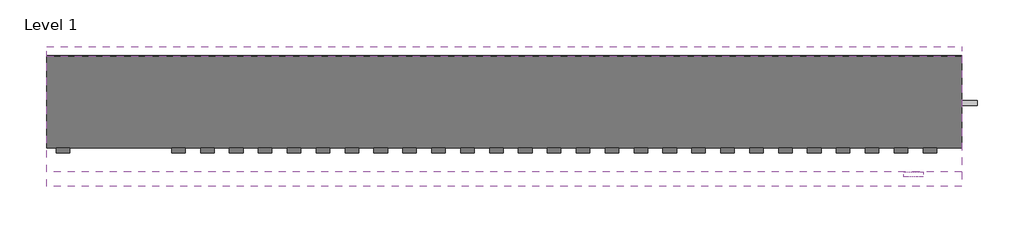
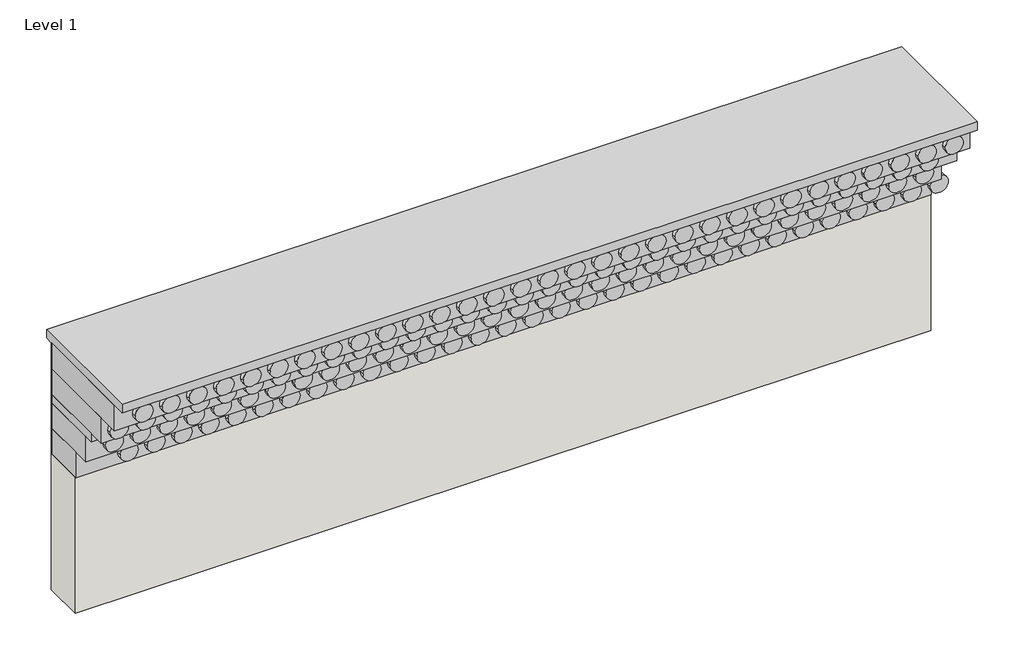
# One storey: 10 proxies, 1 wall.
"""IFC4 building model written with IfcOpenShell, lengths in millimetres."""

import ifcopenshell
import ifcopenshell.guid

model = None  # the IFC model being written
_history = None  # IfcOwnerHistory: only IFC2X3 demands one
_inside = {}  # id of a spatial element -> (the spatial element, [elements in it])
_under = {}  # id of a project, library or spatial element -> (it, [spatial elements below it])
_declared = {}  # id of a project -> (the project, [libraries it declares])
_typed = {}  # id of a type object -> (the type object, [elements of that type])
_made_of = {}  # id of a material, layer set ... -> (it, [elements and type objects made of it])


def new_model(schema):
    """Start an empty IFC model of exactly this schema.

    Asked for "IFC4X3", IfcOpenShell would pick the latest addendum, in which some entities
    have other attributes; the version numbers below select the first issue.
    IFC2X3 requires an IfcOwnerHistory on every rooted entity: one is made here for all.
    """
    global model, _history
    if schema == "IFC4X3":
        model = ifcopenshell.file(schema_version=(4, 3, 0, 0))
    else:
        model = ifcopenshell.file(schema=schema)
    _inside.clear()
    _under.clear()
    _declared.clear()
    _typed.clear()
    _made_of.clear()
    _history = None
    if model.schema == "IFC2X3":
        org = make("IfcOrganization", Name="unknown")
        user = make(
            "IfcPersonAndOrganization",
            ThePerson=make("IfcPerson", FamilyName="unknown"),
            TheOrganization=org,
        )
        app = make(
            "IfcApplication",
            ApplicationDeveloper=org,
            Version="unknown",
            ApplicationFullName="unknown",
            ApplicationIdentifier="unknown",
        )
        _history = make(
            "IfcOwnerHistory",
            OwningUser=user,
            OwningApplication=app,
            ChangeAction="ADDED",
            CreationDate=0,
        )
    return model


def make(cls, **values):
    """One entity of the class cls with the attributes given. An attribute that is None is left unset."""
    return model.create_entity(
        cls, **{name: value for name, value in values.items() if value is not None}
    )


def rooted(cls, **values):
    """An entity with a GlobalId (a new one), such as an element, a storey or a relation."""
    return make(cls, GlobalId=ifcopenshell.guid.new(), OwnerHistory=_history, **values)


def si_unit(unit_type, name, prefix=None):
    """IfcSIUnit, for example si_unit("LENGTHUNIT", "METRE", prefix="MILLI")."""
    return make("IfcSIUnit", UnitType=unit_type, Prefix=prefix, Name=name)


def assignment(units):
    """IfcUnitAssignment: the units of a project."""
    return None if units is None else make("IfcUnitAssignment", Units=units)


def point(xyz):
    """IfcCartesianPoint."""
    return None if xyz is None else make("IfcCartesianPoint", Coordinates=xyz)


def direction(xyz):
    """IfcDirection."""
    return None if xyz is None else make("IfcDirection", DirectionRatios=xyz)


def frame(location, z_axis=None, x_axis=None):
    """IfcAxis2Placement3D, a coordinate frame: its origin and axes. An axis left out is left unset."""
    return make(
        "IfcAxis2Placement3D",
        Location=point(location),
        Axis=direction(z_axis),
        RefDirection=direction(x_axis),
    )


def frame_2d(location, x_axis=None):
    """IfcAxis2Placement2D, a coordinate frame in the plane: its origin and x axis."""
    return make(
        "IfcAxis2Placement2D", Location=point(location), RefDirection=direction(x_axis)
    )


def origin():
    """The frame at (0, 0, 0) with its axes left unset."""
    return frame((0.0, 0.0, 0.0))


def origin_with_axes():
    """The frame at (0, 0, 0) with the z axis (0, 0, 1) and the x axis (1, 0, 0) written out."""
    return frame((0.0, 0.0, 0.0), z_axis=(0.0, 0.0, 1.0), x_axis=(1.0, 0.0, 0.0))


def origin_2d():
    """The frame at (0, 0) in the plane with its x axis left unset."""
    return frame_2d((0.0, 0.0))


def place(relative_to, where):
    """IfcLocalPlacement: puts the frame where relative to a parent placement (None: the world)."""
    return make(
        "IfcLocalPlacement", PlacementRelTo=relative_to, RelativePlacement=where
    )


def context(
    kind, dimensions, precision=None, world=None, true_north=None, identifier=None
):
    """IfcGeometricRepresentationContext, for example the 3D "Model" context."""
    return make(
        "IfcGeometricRepresentationContext",
        ContextIdentifier=identifier,
        ContextType=kind,
        CoordinateSpaceDimension=dimensions,
        Precision=precision,
        WorldCoordinateSystem=world,
        TrueNorth=true_north,
    )


def project(units=None, contexts=None):
    """IfcProject with its units and contexts."""
    return rooted(
        "IfcProject",
        Name="project",
        RepresentationContexts=contexts,
        UnitsInContext=assignment(units),
    )


def spatial(cls, under=None, at=None, **own):
    """A site, building, storey or space (cls), placed at a placement, below another one or the project."""
    s = rooted(cls, ObjectPlacement=at, **own)
    if under is not None:
        _under.setdefault(under.id(), (under, []))[1].append(s)
    return s


def polyline(points):
    """IfcPolyline through the points."""
    return make("IfcPolyline", Points=[point(p) for p in points])


def circle_curve(where, radius):
    """IfcCircle in the frame where."""
    return make("IfcCircle", Position=where, Radius=radius)


def trimmed(basis, trim1, trim2, sense, master):
    """IfcTrimmedCurve: the piece of a basis curve between two trims."""
    return make(
        "IfcTrimmedCurve",
        BasisCurve=basis,
        Trim1=trim1,
        Trim2=trim2,
        SenseAgreement=sense,
        MasterRepresentation=master,
    )


def segment(curve, same_sense, transition):
    """IfcCompositeCurveSegment."""
    return make(
        "IfcCompositeCurveSegment",
        Transition=transition,
        SameSense=same_sense,
        ParentCurve=curve,
    )


def composite_curve(segments, self_intersect=None):
    """IfcCompositeCurve: segments joined end to end."""
    return make("IfcCompositeCurve", Segments=segments, SelfIntersect=self_intersect)


def outline(outer, holes=None, kind="AREA"):
    """IfcArbitraryClosedProfileDef: a profile drawn as a closed curve; with holes, ...WithVoids."""
    if holes is None:
        return make("IfcArbitraryClosedProfileDef", ProfileType=kind, OuterCurve=outer)
    return make(
        "IfcArbitraryProfileDefWithVoids",
        ProfileType=kind,
        OuterCurve=outer,
        InnerCurves=holes,
    )


def extrude(swept, where, along, depth):
    """IfcExtrudedAreaSolid: the profile swept, set in the frame where, extruded along a direction by depth."""
    return make(
        "IfcExtrudedAreaSolid",
        SweptArea=swept,
        Position=where,
        ExtrudedDirection=direction(along),
        Depth=depth,
    )


def faces_of(points, faces, orient=None, outer=None):
    """IfcFace entities. A face is a list of loops; a loop is a list of indices into points, from 0.

    orient and outer hold one flag for each loop. By default every Orientation is true, the
    first loop of a face is its IfcFaceOuterBound and the others are IfcFaceBound.
    """
    made = []
    for i, loops in enumerate(faces):
        bounds = []
        for j, loop in enumerate(loops):
            is_outer = j == 0 if outer is None else outer[i][j]
            bounds.append(
                make(
                    "IfcFaceOuterBound" if is_outer else "IfcFaceBound",
                    Bound=make("IfcPolyLoop", Polygon=[points[k] for k in loop]),
                    Orientation=True if orient is None else orient[i][j],
                )
            )
        made.append(make("IfcFace", Bounds=bounds))
    return made


def faceted_brep(points, faces, orient=None, outer=None, voids=None):
    """IfcFacetedBrep: a solid bounded by flat faces; with voids (closed shells), ...WithVoids."""
    shared = [point(p) for p in points]
    hull = make("IfcClosedShell", CfsFaces=faces_of(shared, faces, orient, outer))
    if voids is None:
        return make("IfcFacetedBrep", Outer=hull)
    return make(
        "IfcFacetedBrepWithVoids",
        Outer=hull,
        Voids=[
            make(cls, CfsFaces=faces_of(shared, fs, o, b)) for cls, fs, o, b in voids
        ],
    )


def shape(context_of_items, identifier, shape_type, items):
    """IfcShapeRepresentation: the items that make up one representation, for example the "Body"."""
    return make(
        "IfcShapeRepresentation",
        ContextOfItems=context_of_items,
        RepresentationIdentifier=identifier,
        RepresentationType=shape_type,
        Items=items,
    )


def source(mapping_origin, context_of_items, identifier, shape_type, items):
    """IfcRepresentationMap: a shape defined once, which mapped items show again and again."""
    return make(
        "IfcRepresentationMap",
        MappingOrigin=mapping_origin,
        MappedRepresentation=shape(context_of_items, identifier, shape_type, items),
    )


def transform(
    local_origin,
    x_axis=None,
    y_axis=None,
    z_axis=None,
    scale=None,
    scale2=None,
    scale3=None,
    uniform=True,
):
    """IfcCartesianTransformationOperator3D, or its non-uniform kind. x_axis, y_axis, z_axis: its Axis1, 2, 3."""
    if uniform:
        return make(
            "IfcCartesianTransformationOperator3D",
            Axis1=direction(x_axis),
            Axis2=direction(y_axis),
            LocalOrigin=point(local_origin),
            Scale=scale,
            Axis3=direction(z_axis),
        )
    return make(
        "IfcCartesianTransformationOperator3DnonUniform",
        Axis1=direction(x_axis),
        Axis2=direction(y_axis),
        LocalOrigin=point(local_origin),
        Scale=scale,
        Axis3=direction(z_axis),
        Scale2=scale2,
        Scale3=scale3,
    )


def mapped(mapping_source, mapping_target):
    """IfcMappedItem: shows the shape of a source again, moved by a transform."""
    return make(
        "IfcMappedItem", MappingSource=mapping_source, MappingTarget=mapping_target
    )


def made_of(thing, what):
    """Note that an element or type object is made of a material, layer set ...; save() writes the relation."""
    if what is not None:
        _made_of.setdefault(what.id(), (what, []))[1].append(thing)
    return thing


def element(
    cls,
    number,
    at=None,
    inside=None,
    cuts=None,
    type_object=None,
    material=None,
    context=None,
    identifier="Body",
    shape_type=None,
    held_by="IfcProductDefinitionShape",
    body=None,
    shapes=None,
    **own,
):
    """One element of the class cls, such as IfcWall. Its Tag is "e" and its number.

    at: its placement. inside: the storey or other place that contains it. cuts: it is an
    opening in that element (IfcRelVoidsElement). A single representation is given by context,
    identifier, shape_type and body (its items); several are given by shapes. held_by: the class
    of the entity that holds the representations. save() writes the other relations.
    """
    e = rooted(cls, Tag="e%d" % number, ObjectPlacement=at, **own)
    if body is not None:
        shapes = [shape(context, identifier, shape_type, body)]
    if shapes is not None:
        e.Representation = make(held_by, Representations=shapes)
    if inside is not None:
        _inside.setdefault(inside.id(), (inside, []))[1].append(e)
    if cuts is not None:
        rooted(
            "IfcRelVoidsElement", RelatingBuildingElement=cuts, RelatedOpeningElement=e
        )
    if type_object is not None:
        _typed.setdefault(type_object.id(), (type_object, []))[1].append(e)
    return made_of(e, material)


def aggregate(whole, parts):
    """IfcRelAggregates: a whole, such as a stair, and the parts it consists of."""
    return rooted("IfcRelAggregates", RelatingObject=whole, RelatedObjects=parts)


def save(model, path):
    """Write the relations noted so far, then the file.

    IfcRelAggregates (storeys below a building ...), IfcRelContainedInSpatialStructure (elements
    in a storey), IfcRelDefinesByType, IfcRelAssociatesMaterial and IfcRelDeclares: one each for
    every whole, place, type object, material and project.
    """
    for whole, parts in _under.values():
        aggregate(whole, parts)
    for where, things in _inside.values():
        rooted(
            "IfcRelContainedInSpatialStructure",
            RelatedElements=things,
            RelatingStructure=where,
        )
    for kind, things in _typed.values():
        rooted("IfcRelDefinesByType", RelatedObjects=things, RelatingType=kind)
    for what, things in _made_of.values():
        rooted("IfcRelAssociatesMaterial", RelatedObjects=things, RelatingMaterial=what)
    for by, libraries in _declared.values():
        rooted("IfcRelDeclares", RelatingContext=by, RelatedDefinitions=libraries)
    model.write(path)


def generic_models_7598e635(model_context):
    return source(origin(), model_context, "Body", "SweptSolid", [
        extrude(outline(composite_curve([segment(trimmed(circle_curve(frame_2d((4572.0, 0.0)), 50.8), [point((4521.2, 0.0))], [point((4622.8, 0.0))], False, "CARTESIAN"), True, "CONTINUOUS"), segment(trimmed(circle_curve(frame_2d((4572.0, 0.0)), 50.8), [point((4622.8, 0.0))], [point((4521.2, 0.0))], False, "CARTESIAN"), True, "CONTINUOUS")], self_intersect=False)), origin_with_axes(), (0.0, 0.0, 1.0), 25.4),
        extrude(outline(composite_curve([segment(trimmed(circle_curve(frame_2d((4419.6, 0.0)), 50.8), [point((4368.8, 0.0))], [point((4470.4, 0.0))], False, "CARTESIAN"), True, "CONTINUOUS"), segment(trimmed(circle_curve(frame_2d((4419.6, 0.0)), 50.8), [point((4470.4, 0.0))], [point((4368.8, 0.0))], False, "CARTESIAN"), True, "CONTINUOUS")], self_intersect=False)), origin_with_axes(), (0.0, 0.0, 1.0), 25.4),
        extrude(outline(composite_curve([segment(trimmed(circle_curve(frame_2d((4267.2, 0.0)), 50.8), [point((4216.4, 0.0))], [point((4318.0, 0.0))], False, "CARTESIAN"), True, "CONTINUOUS"), segment(trimmed(circle_curve(frame_2d((4267.2, 0.0)), 50.8), [point((4318.0, 0.0))], [point((4216.4, 0.0))], False, "CARTESIAN"), True, "CONTINUOUS")], self_intersect=False)), origin_with_axes(), (0.0, 0.0, 1.0), 25.4),
        extrude(outline(composite_curve([segment(trimmed(circle_curve(frame_2d((4114.8, 0.0)), 50.8), [point((4064.0, 0.0))], [point((4165.6, 0.0))], False, "CARTESIAN"), True, "CONTINUOUS"), segment(trimmed(circle_curve(frame_2d((4114.8, 0.0)), 50.8), [point((4165.6, 0.0))], [point((4064.0, 0.0))], False, "CARTESIAN"), True, "CONTINUOUS")], self_intersect=False)), origin_with_axes(), (0.0, 0.0, 1.0), 25.4),
        extrude(outline(composite_curve([segment(trimmed(circle_curve(frame_2d((3962.4, 0.0)), 50.8), [point((3911.6, 0.0))], [point((4013.2, 0.0))], False, "CARTESIAN"), True, "CONTINUOUS"), segment(trimmed(circle_curve(frame_2d((3962.4, 0.0)), 50.8), [point((4013.2, 0.0))], [point((3911.6, 0.0))], False, "CARTESIAN"), True, "CONTINUOUS")], self_intersect=False)), origin_with_axes(), (0.0, 0.0, 1.0), 25.4),
        extrude(outline(composite_curve([segment(trimmed(circle_curve(frame_2d((3810.0, 0.0)), 50.8), [point((3759.2, 0.0))], [point((3860.8, 0.0))], False, "CARTESIAN"), True, "CONTINUOUS"), segment(trimmed(circle_curve(frame_2d((3810.0, 0.0)), 50.8), [point((3860.8, 0.0))], [point((3759.2, 0.0))], False, "CARTESIAN"), True, "CONTINUOUS")], self_intersect=False)), origin_with_axes(), (0.0, 0.0, 1.0), 25.4),
        extrude(outline(composite_curve([segment(trimmed(circle_curve(frame_2d((3657.6, 0.0)), 50.8), [point((3606.8, 0.0))], [point((3708.4, 0.0))], False, "CARTESIAN"), True, "CONTINUOUS"), segment(trimmed(circle_curve(frame_2d((3657.6, 0.0)), 50.8), [point((3708.4, 0.0))], [point((3606.8, 0.0))], False, "CARTESIAN"), True, "CONTINUOUS")], self_intersect=False)), origin_with_axes(), (0.0, 0.0, 1.0), 25.4),
        extrude(outline(composite_curve([segment(trimmed(circle_curve(frame_2d((3505.2, 0.0)), 50.8), [point((3454.4, 0.0))], [point((3556.0, 0.0))], False, "CARTESIAN"), True, "CONTINUOUS"), segment(trimmed(circle_curve(frame_2d((3505.2, 0.0)), 50.8), [point((3556.0, 0.0))], [point((3454.4, 0.0))], False, "CARTESIAN"), True, "CONTINUOUS")], self_intersect=False)), origin_with_axes(), (0.0, 0.0, 1.0), 25.4),
        extrude(outline(composite_curve([segment(trimmed(circle_curve(frame_2d((3352.8, 0.0)), 50.8), [point((3302.0, 0.0))], [point((3403.6, 0.0))], False, "CARTESIAN"), True, "CONTINUOUS"), segment(trimmed(circle_curve(frame_2d((3352.8, 0.0)), 50.8), [point((3403.6, 0.0))], [point((3302.0, 0.0))], False, "CARTESIAN"), True, "CONTINUOUS")], self_intersect=False)), origin_with_axes(), (0.0, 0.0, 1.0), 25.4),
        extrude(outline(composite_curve([segment(trimmed(circle_curve(frame_2d((3200.4, 0.0)), 50.8), [point((3149.6, 0.0))], [point((3251.2, 0.0))], False, "CARTESIAN"), True, "CONTINUOUS"), segment(trimmed(circle_curve(frame_2d((3200.4, 0.0)), 50.8), [point((3251.2, 0.0))], [point((3149.6, 0.0))], False, "CARTESIAN"), True, "CONTINUOUS")], self_intersect=False)), origin_with_axes(), (0.0, 0.0, 1.0), 25.4),
        extrude(outline(composite_curve([segment(trimmed(circle_curve(frame_2d((3048.0, 0.0)), 50.8), [point((2997.2, 0.0))], [point((3098.8, 0.0))], False, "CARTESIAN"), True, "CONTINUOUS"), segment(trimmed(circle_curve(frame_2d((3048.0, 0.0)), 50.8), [point((3098.8, 0.0))], [point((2997.2, 0.0))], False, "CARTESIAN"), True, "CONTINUOUS")], self_intersect=False)), origin_with_axes(), (0.0, 0.0, 1.0), 25.4),
        extrude(outline(composite_curve([segment(trimmed(circle_curve(frame_2d((2895.6, 0.0)), 50.8), [point((2844.8, 0.0))], [point((2946.4, 0.0))], False, "CARTESIAN"), True, "CONTINUOUS"), segment(trimmed(circle_curve(frame_2d((2895.6, 0.0)), 50.8), [point((2946.4, 0.0))], [point((2844.8, 0.0))], False, "CARTESIAN"), True, "CONTINUOUS")], self_intersect=False)), origin_with_axes(), (0.0, 0.0, 1.0), 25.4),
        extrude(outline(composite_curve([segment(trimmed(circle_curve(frame_2d((2743.2, 0.0)), 50.8), [point((2692.4, 0.0))], [point((2794.0, 0.0))], False, "CARTESIAN"), True, "CONTINUOUS"), segment(trimmed(circle_curve(frame_2d((2743.2, 0.0)), 50.8), [point((2794.0, 0.0))], [point((2692.4, 0.0))], False, "CARTESIAN"), True, "CONTINUOUS")], self_intersect=False)), origin_with_axes(), (0.0, 0.0, 1.0), 25.4),
        extrude(outline(composite_curve([segment(trimmed(circle_curve(frame_2d((2590.8, 0.0)), 50.8), [point((2540.0, 0.0))], [point((2641.6, 0.0))], False, "CARTESIAN"), True, "CONTINUOUS"), segment(trimmed(circle_curve(frame_2d((2590.8, 0.0)), 50.8), [point((2641.6, 0.0))], [point((2540.0, 0.0))], False, "CARTESIAN"), True, "CONTINUOUS")], self_intersect=False)), origin_with_axes(), (0.0, 0.0, 1.0), 25.4),
        extrude(outline(composite_curve([segment(trimmed(circle_curve(frame_2d((2438.4, 0.0)), 50.8), [point((2387.6, 0.0))], [point((2489.2, 0.0))], False, "CARTESIAN"), True, "CONTINUOUS"), segment(trimmed(circle_curve(frame_2d((2438.4, 0.0)), 50.8), [point((2489.2, 0.0))], [point((2387.6, 0.0))], False, "CARTESIAN"), True, "CONTINUOUS")], self_intersect=False)), origin_with_axes(), (0.0, 0.0, 1.0), 25.4),
        extrude(outline(composite_curve([segment(trimmed(circle_curve(frame_2d((2286.0, 0.0)), 50.8), [point((2235.2, 0.0))], [point((2336.8, 0.0))], False, "CARTESIAN"), True, "CONTINUOUS"), segment(trimmed(circle_curve(frame_2d((2286.0, 0.0)), 50.8), [point((2336.8, 0.0))], [point((2235.2, 0.0))], False, "CARTESIAN"), True, "CONTINUOUS")], self_intersect=False)), origin_with_axes(), (0.0, 0.0, 1.0), 25.4),
        extrude(outline(composite_curve([segment(trimmed(circle_curve(frame_2d((2133.6, 0.0)), 50.8), [point((2082.8, 0.0))], [point((2184.4, 0.0))], False, "CARTESIAN"), True, "CONTINUOUS"), segment(trimmed(circle_curve(frame_2d((2133.6, 0.0)), 50.8), [point((2184.4, 0.0))], [point((2082.8, 0.0))], False, "CARTESIAN"), True, "CONTINUOUS")], self_intersect=False)), origin_with_axes(), (0.0, 0.0, 1.0), 25.4),
        extrude(outline(composite_curve([segment(trimmed(circle_curve(frame_2d((1981.2, 0.0)), 50.8), [point((1930.4, 0.0))], [point((2032.0, 0.0))], False, "CARTESIAN"), True, "CONTINUOUS"), segment(trimmed(circle_curve(frame_2d((1981.2, 0.0)), 50.8), [point((2032.0, 0.0))], [point((1930.4, 0.0))], False, "CARTESIAN"), True, "CONTINUOUS")], self_intersect=False)), origin_with_axes(), (0.0, 0.0, 1.0), 25.4),
        extrude(outline(composite_curve([segment(trimmed(circle_curve(frame_2d((1828.8, 0.0)), 50.8), [point((1778.0, 0.0))], [point((1879.6, 0.0))], False, "CARTESIAN"), True, "CONTINUOUS"), segment(trimmed(circle_curve(frame_2d((1828.8, 0.0)), 50.8), [point((1879.6, 0.0))], [point((1778.0, 0.0))], False, "CARTESIAN"), True, "CONTINUOUS")], self_intersect=False)), origin_with_axes(), (0.0, 0.0, 1.0), 25.4),
        extrude(outline(composite_curve([segment(trimmed(circle_curve(frame_2d((1676.4, 0.0)), 50.8), [point((1625.6, 0.0))], [point((1727.2, 0.0))], False, "CARTESIAN"), True, "CONTINUOUS"), segment(trimmed(circle_curve(frame_2d((1676.4, 0.0)), 50.8), [point((1727.2, 0.0))], [point((1625.6, 0.0))], False, "CARTESIAN"), True, "CONTINUOUS")], self_intersect=False)), origin_with_axes(), (0.0, 0.0, 1.0), 25.4),
        extrude(outline(composite_curve([segment(trimmed(circle_curve(frame_2d((1524.0, 0.0)), 50.8), [point((1473.2, 0.0))], [point((1574.8, 0.0))], False, "CARTESIAN"), True, "CONTINUOUS"), segment(trimmed(circle_curve(frame_2d((1524.0, 0.0)), 50.8), [point((1574.8, 0.0))], [point((1473.2, 0.0))], False, "CARTESIAN"), True, "CONTINUOUS")], self_intersect=False)), origin_with_axes(), (0.0, 0.0, 1.0), 25.4),
        extrude(outline(composite_curve([segment(trimmed(circle_curve(frame_2d((1371.6, 0.0)), 50.8), [point((1320.8, 0.0))], [point((1422.4, 0.0))], False, "CARTESIAN"), True, "CONTINUOUS"), segment(trimmed(circle_curve(frame_2d((1371.6, 0.0)), 50.8), [point((1422.4, 0.0))], [point((1320.8, 0.0))], False, "CARTESIAN"), True, "CONTINUOUS")], self_intersect=False)), origin_with_axes(), (0.0, 0.0, 1.0), 25.4),
        extrude(outline(composite_curve([segment(trimmed(circle_curve(frame_2d((1219.2, 0.0)), 50.8), [point((1168.4, 0.0))], [point((1270.0, 0.0))], False, "CARTESIAN"), True, "CONTINUOUS"), segment(trimmed(circle_curve(frame_2d((1219.2, 0.0)), 50.8), [point((1270.0, 0.0))], [point((1168.4, 0.0))], False, "CARTESIAN"), True, "CONTINUOUS")], self_intersect=False)), origin_with_axes(), (0.0, 0.0, 1.0), 25.4),
        extrude(outline(composite_curve([segment(trimmed(circle_curve(frame_2d((1066.8, 0.0)), 50.8), [point((1016.0, 0.0))], [point((1117.6, 0.0))], False, "CARTESIAN"), True, "CONTINUOUS"), segment(trimmed(circle_curve(frame_2d((1066.8, 0.0)), 50.8), [point((1117.6, 0.0))], [point((1016.0, 0.0))], False, "CARTESIAN"), True, "CONTINUOUS")], self_intersect=False)), origin_with_axes(), (0.0, 0.0, 1.0), 25.4),
        extrude(outline(composite_curve([segment(trimmed(circle_curve(frame_2d((914.4, 0.0)), 50.8), [point((863.6, 0.0))], [point((965.2, 0.0))], False, "CARTESIAN"), True, "CONTINUOUS"), segment(trimmed(circle_curve(frame_2d((914.4, 0.0)), 50.8), [point((965.2, 0.0))], [point((863.6, 0.0))], False, "CARTESIAN"), True, "CONTINUOUS")], self_intersect=False)), origin_with_axes(), (0.0, 0.0, 1.0), 25.4),
        extrude(outline(composite_curve([segment(trimmed(circle_curve(frame_2d((762.0, 0.0)), 50.8), [point((711.2, 0.0))], [point((812.8, 0.0))], False, "CARTESIAN"), True, "CONTINUOUS"), segment(trimmed(circle_curve(frame_2d((762.0, 0.0)), 50.8), [point((812.8, 0.0))], [point((711.2, 0.0))], False, "CARTESIAN"), True, "CONTINUOUS")], self_intersect=False)), origin_with_axes(), (0.0, 0.0, 1.0), 25.4),
        extrude(outline(composite_curve([segment(trimmed(circle_curve(frame_2d((609.6, 0.0)), 50.8), [point((558.8, 0.0))], [point((660.4, 0.0))], False, "CARTESIAN"), True, "CONTINUOUS"), segment(trimmed(circle_curve(frame_2d((609.6, 0.0)), 50.8), [point((660.4, 0.0))], [point((558.8, 0.0))], False, "CARTESIAN"), True, "CONTINUOUS")], self_intersect=False)), origin_with_axes(), (0.0, 0.0, 1.0), 25.4),
        extrude(outline(composite_curve([segment(trimmed(circle_curve(frame_2d((457.2, 0.0)), 50.8), [point((406.4, 0.0))], [point((508.0, 0.0))], False, "CARTESIAN"), True, "CONTINUOUS"), segment(trimmed(circle_curve(frame_2d((457.2, 0.0)), 50.8), [point((508.0, 0.0))], [point((406.4, 0.0))], False, "CARTESIAN"), True, "CONTINUOUS")], self_intersect=False)), origin_with_axes(), (0.0, 0.0, 1.0), 25.4),
        extrude(outline(composite_curve([segment(trimmed(circle_curve(frame_2d((304.8, 0.0)), 50.8), [point((254.0, 0.0))], [point((355.6, 0.0))], False, "CARTESIAN"), True, "CONTINUOUS"), segment(trimmed(circle_curve(frame_2d((304.8, 0.0)), 50.8), [point((355.6, 0.0))], [point((254.0, 0.0))], False, "CARTESIAN"), True, "CONTINUOUS")], self_intersect=False)), origin_with_axes(), (0.0, 0.0, 1.0), 25.4),
        extrude(outline(composite_curve([segment(trimmed(circle_curve(frame_2d((152.4, 0.0)), 50.8), [point((101.6, 0.0))], [point((203.2, 0.0))], False, "CARTESIAN"), True, "CONTINUOUS"), segment(trimmed(circle_curve(frame_2d((152.4, 0.0)), 50.8), [point((203.2, 0.0))], [point((101.6, 0.0))], False, "CARTESIAN"), True, "CONTINUOUS")], self_intersect=False)), origin_with_axes(), (0.0, 0.0, 1.0), 25.4),
        extrude(outline(composite_curve([segment(trimmed(circle_curve(origin_2d(), 50.8), [point((-50.8, 0.0))], [point((50.8, 0.0))], False, "CARTESIAN"), True, "CONTINUOUS"), segment(trimmed(circle_curve(origin_2d(), 50.8), [point((50.8, 0.0))], [point((-50.8, 0.0))], False, "CARTESIAN"), True, "CONTINUOUS")], self_intersect=False)), origin_with_axes(), (0.0, 0.0, 1.0), 25.4),
    ])


model = new_model("IFC4")

# Units and contexts
model_context = context("Model", 3, world=origin())
ifc_project = project(units=[si_unit("LENGTHUNIT", "METRE", prefix="MILLI")], contexts=[model_context])

# Site, building, storey
site = spatial("IfcSite", under=ifc_project)
building = spatial("IfcBuilding", under=site)
storey = spatial("IfcBuildingStorey", under=building, Name="Level 1", Elevation=0.0)

# Proxies
placement = place(None, origin())
element("IfcBuildingElementProxy", 1, Name="Wall Sweeps", at=placement, inside=storey, context=model_context, shape_type="Brep", body=[
    faceted_brep([(-8341.2098928, 540.688502, 812.8), (-8341.2098928, 543.838502, 812.8), (-8341.2098928, 775.638502, 812.8), (-8341.2098928, 775.638502, 965.2), (-8341.2098928, 540.688502, 965.2), (-13167.2098928, 540.688502, 812.8), (-13167.2098928, 540.688502, 965.2), (-13167.2098928, 775.638502, 965.2), (-13167.2098928, 775.638502, 812.8), (-13167.2098928, 543.838502, 812.8)], [[[0, 1, 2, 3, 4]], [[5, 6, 7, 8, 9]], [[2, 1, 0, 5, 9, 8]], [[3, 2, 8, 7]], [[4, 3, 7, 6]], [[0, 4, 6, 5]]]),
])
element("IfcBuildingElementProxy", 2, Name="Wall Sweeps", at=placement, inside=storey, context=model_context, shape_type="SweptSolid", body=[
    extrude(outline(polyline([(-8341.2098928, 775.638502), (-8341.2098928, 391.463502), (-13167.2098928, 391.463502), (-13167.2098928, 775.638502), (-8341.2098928, 775.638502)])), frame((0.0, 0.0, 1117.6), z_axis=(0.0, 0.0, 1.0), x_axis=(1.0, 0.0, 0.0)), (0.0, 0.0, 1.0), 50.8),
])
element("IfcBuildingElementProxy", 3, Name="Wall Sweeps", at=placement, inside=storey, context=model_context, shape_type="SweptSolid", body=[
    extrude(outline(polyline([(-8341.2098928, 775.638502), (-8341.2098928, 162.863502), (-13167.2098928, 162.863502), (-13167.2098928, 775.638502), (-8341.2098928, 775.638502)])), frame((0.0, 0.0, 1320.8), z_axis=(0.0, 0.0, 1.0), x_axis=(1.0, 0.0, 0.0)), (0.0, 0.0, 1.0), 152.4),
])
element("IfcBuildingElementProxy", 4, Name="Wall Sweeps", at=placement, inside=storey, context=model_context, shape_type="Brep", body=[
    faceted_brep([(-8341.2098928, 826.438502, 1473.2), (-8341.2098928, 826.438502, 1524.0), (-8341.2098928, 86.663502, 1524.0), (-8341.2098928, 86.663502, 1473.2), (-8341.2098928, 775.638502, 1473.2), (-8341.2098928, 778.788502, 1473.2), (-13167.2098928, 826.438502, 1473.2), (-13167.2098928, 778.788502, 1473.2), (-13167.2098928, 775.638502, 1473.2), (-13167.2098928, 86.663502, 1473.2), (-13167.2098928, 86.663502, 1524.0), (-13167.2098928, 826.438502, 1524.0)], [[[0, 1, 2, 3, 4, 5]], [[6, 7, 8, 9, 10, 11]], [[1, 0, 6, 11]], [[2, 1, 11, 10]], [[3, 2, 10, 9]], [[0, 5, 4, 3, 9, 8, 7, 6]]]),
])
element("IfcBuildingElementProxy", 5, Name="Wall Sweeps", at=placement, inside=storey, context=model_context, shape_type="SweptSolid", body=[
    extrude(outline(polyline([(-8341.2098928, 775.638502), (-8341.2098928, 442.263502), (-13167.2098928, 442.263502), (-13167.2098928, 775.638502), (-8341.2098928, 775.638502)])), frame((0.0, 0.0, 965.2), z_axis=(0.0, 0.0, 1.0), x_axis=(1.0, 0.0, 0.0)), (0.0, 0.0, 1.0), 152.4),
])
element("IfcBuildingElementProxy", 6, Name="Wall Sweeps", at=placement, inside=storey, context=model_context, shape_type="SweptSolid", body=[
    extrude(outline(polyline([(-8341.2098928, 775.638502), (-8341.2098928, 289.863502), (-13167.2098928, 289.863502), (-13167.2098928, 775.638502), (-8341.2098928, 775.638502)])), frame((0.0, 0.0, 1168.4), z_axis=(0.0, 0.0, 1.0), x_axis=(1.0, 0.0, 0.0)), (0.0, 0.0, 1.0), 152.4),
])
generic_models_shape = generic_models_7598e635(model_context)
element("IfcBuildingElementProxy", 7, Name="Generic Models", at=placement, inside=storey, context=model_context, shape_type="MappedRepresentation", body=[
    mapped(generic_models_shape, transform((-13081.2098928, 289.863502, 1235.7118215), x_axis=(1.0, 0.0, 0.0), y_axis=(0.0, 0.0, 1.0), z_axis=(0.0, -1.0, 0.0))),
])
element("IfcBuildingElementProxy", 8, Name="Generic Models", at=placement, inside=storey, context=model_context, shape_type="MappedRepresentation", body=[
    mapped(generic_models_shape, transform((-13014.8098928, 162.863502, 1388.5418), x_axis=(1.0, 0.0, 0.0), y_axis=(0.0, 0.0, 1.0), z_axis=(0.0, -1.0, 0.0))),
])
element("IfcBuildingElementProxy", 9, Name="Generic Models", at=placement, inside=storey, context=model_context, shape_type="MappedRepresentation", body=[
    mapped(generic_models_shape, transform((-13021.2098928, 442.263502, 1044.4860389), x_axis=(1.0, 0.0, 0.0), y_axis=(0.0, 0.0, 1.0), z_axis=(0.0, -1.0, 0.0))),
])
element("IfcBuildingElementProxy", 10, Name="Generic Models", at=placement, inside=storey, context=model_context, shape_type="MappedRepresentation", body=[
    mapped(generic_models_shape, transform((-12881.2098928, 540.688502, 880.3549616), x_axis=(1.0, 0.0, 0.0), y_axis=(0.0, 0.0, 1.0), z_axis=(0.0, -1.0, 0.0))),
])

# Wall
element("IfcWall", 11, at=placement, inside=storey, context=model_context, shape_type="Brep", body=[
    faceted_brep([(-8341.2098928, 778.788502, 0.0), (-13167.2098928, 778.788502, 0.0), (-13167.2098928, 778.788502, 1473.2), (-8341.2098928, 778.788502, 1473.2), (-13167.2098928, 543.838502, 0.0), (-8341.2098928, 543.838502, 0.0), (-8341.2098928, 543.838502, 812.8), (-13167.2098928, 543.838502, 812.8), (-13167.2098928, 775.638502, 812.8), (-13167.2098928, 775.638502, 965.2), (-13167.2098928, 775.638502, 1117.6), (-13167.2098928, 775.638502, 1168.4), (-13167.2098928, 775.638502, 1320.8), (-13167.2098928, 775.638502, 1473.2), (-8341.2098928, 775.638502, 1473.2), (-8341.2098928, 775.638502, 1320.8), (-8341.2098928, 775.638502, 1168.4), (-8341.2098928, 775.638502, 1117.6), (-8341.2098928, 775.638502, 965.2), (-8341.2098928, 775.638502, 812.8)], [[[0, 1, 2, 3]], [[4, 5, 6, 7]], [[1, 0, 5, 4]], [[1, 4, 7, 8, 9, 10, 11, 12, 13, 2]], [[5, 0, 3, 14, 15, 16, 17, 18, 19, 6]], [[3, 2, 13, 14]], [[8, 19, 18, 17, 16, 15, 14, 13, 12, 11, 10, 9]], [[19, 8, 7, 6]]]),
])

save(model, "model.ifc")
